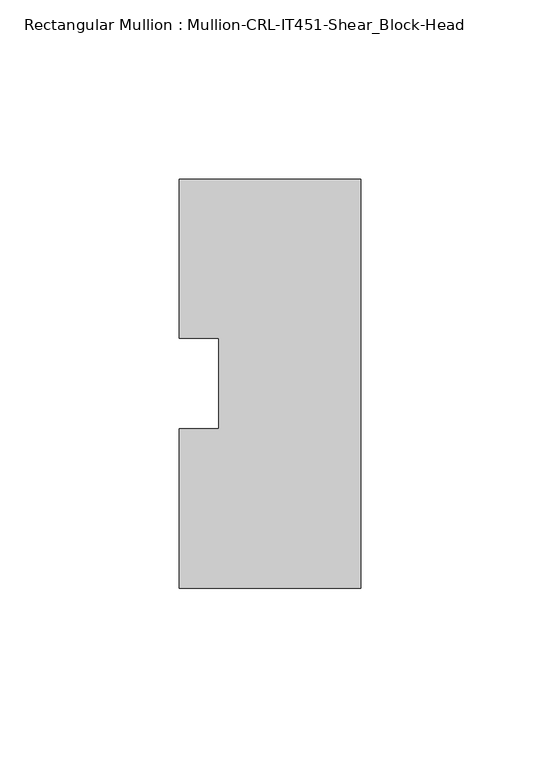
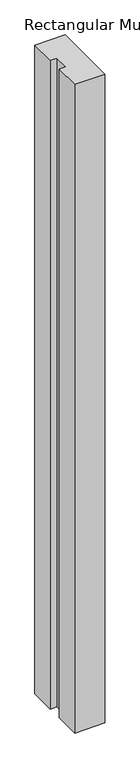
"""IFC4 building model written with IfcOpenShell, lengths in millimetres: member geometry, Rectangular Mullion : Mullion-CRL-IT451-Shear_Block-Head."""

from ifc_helpers import new_model, si_unit, frame, origin, place, context, project, spatial, polyline, outline, extrude, source, transform, mapped, element, save


def rectangular_mullion_mullion_crl_it451_shear_block_head_df4801bb(model_context):
    return source(origin(), model_context, "Body", "SweptSolid", [
        extrude(outline(polyline([(0.0, -57.1909821), (-50.8, -57.1909821), (-50.8, -12.7), (-39.6875, -12.7), (-39.6875, 12.7), (-50.8, 12.7), (-50.8, 57.1090179), (0.0, 57.1090179), (0.0, -57.1909821)])), frame((0.0, 0.0, -1143.0), z_axis=(0.0, 0.0, 1.0), x_axis=(1.0, 0.0, 0.0)), (0.0, 0.0, 1.0), 1143.0),
    ])


if __name__ == "__main__":
    model = new_model("IFC4")
    model_context = context("Model", 3, world=origin())
    ifc_project = project(units=[si_unit("LENGTHUNIT", "METRE", prefix="MILLI")], contexts=[model_context])
    site = spatial("IfcSite", under=ifc_project)
    building = spatial("IfcBuilding", under=site)
    placement = place(None, origin())
    rectangular_mullion_mullion_crl_it451_shear_block_head_shape = rectangular_mullion_mullion_crl_it451_shear_block_head_df4801bb(model_context)
    element("IfcMember", 1, ObjectType="Rectangular Mullion : Mullion-CRL-IT451-Shear_Block-Head", at=placement, inside=building, context=model_context, shape_type="MappedRepresentation", body=[
        mapped(rectangular_mullion_mullion_crl_it451_shear_block_head_shape, transform((0.0, 0.0, 0.0), x_axis=(1.0, 0.0, 0.0), y_axis=(0.0, 1.0, 0.0), z_axis=(0.0, 0.0, 1.0))),
    ])
    save(model, "model.ifc")
